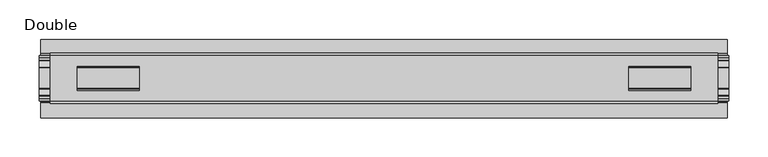
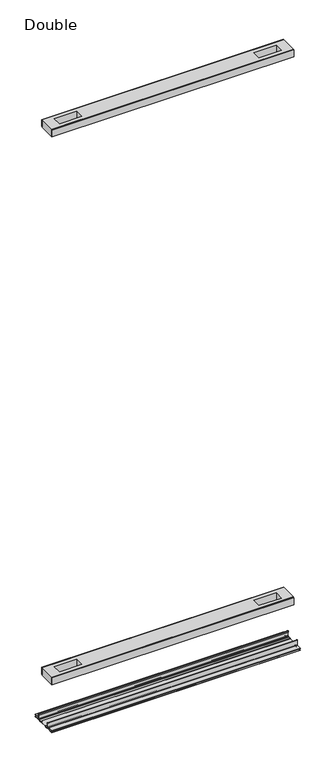
"""IFC4 building model written with IfcOpenShell, lengths in millimetres: proxy geometry, Double."""

from ifc_helpers import new_model, si_unit, point, frame, frame_2d, origin, place, context, project, spatial, polyline, circle_curve, trimmed, segment, composite_curve, outline, extrude, source, transform, mapped, element, save


def double_7628b9d4(model_context):
    return source(origin(), model_context, "Body", "SweptSolid", [
        extrude(outline(polyline([(425.4460989, -29.0068005), (425.4460989, -32.1817997), (-425.4460989, -32.1817997), (-425.4460989, -29.0068005), (425.4460989, -29.0068005)])), frame((0.0, 0.0, 2186.2851593), z_axis=(0.0, 0.0, 1.0), x_axis=(1.0, 0.0, 0.0)), (0.0, 0.0, 1.0), 25.3999939),
        extrude(outline(polyline([(425.4460989, 32.1817997), (425.4460989, 29.0068005), (-425.4460989, 29.0068005), (-425.4460989, 32.1817997), (425.4460989, 32.1817997)])), frame((0.0, 0.0, 2186.2851593), z_axis=(0.0, 0.0, 1.0), x_axis=(1.0, 0.0, 0.0)), (0.0, 0.0, 1.0), 25.3999939),
        extrude(outline(polyline([(425.4460989, 29.0068005), (425.4460989, -29.0068005), (-425.4460989, -29.0068005), (-425.4460989, 29.0068005), (425.4460989, 29.0068005)]), holes=[polyline([(391.0290863, 15.1130038), (311.9842744, 15.1130038), (311.9842744, -15.875003), (391.0290863, -15.875003), (391.0290863, 15.1130038)]), polyline([(-391.0290863, 15.1130038), (-391.0290863, -15.875003), (-311.9842744, -15.875003), (-311.9842744, 15.1130038), (-391.0290863, 15.1130038)])]), frame((0.0, 0.0, 2184.9851569), z_axis=(0.0, 0.0, 1.0), x_axis=(1.0, 0.0, 0.0)), (0.0, 0.0, 1.0), 27.9999988),
        extrude(outline(polyline([(425.4460989, -29.0068005), (425.4460989, -32.1817997), (-425.4460989, -32.1817997), (-425.4460989, -29.0068005), (425.4460989, -29.0068005)])), frame((0.0, 0.0, 149.8401622), z_axis=(0.0, 0.0, 1.0), x_axis=(1.0, 0.0, 0.0)), (0.0, 0.0, 1.0), 25.3999939),
        extrude(outline(polyline([(425.4460989, 32.1817997), (425.4460989, 29.0068005), (-425.4460989, 29.0068005), (-425.4460989, 32.1817997), (425.4460989, 32.1817997)])), frame((0.0, 0.0, 149.8401622), z_axis=(0.0, 0.0, 1.0), x_axis=(1.0, 0.0, 0.0)), (0.0, 0.0, 1.0), 25.3999939),
        extrude(outline(polyline([(425.4460989, 29.0068005), (425.4460989, -29.0068005), (-425.4460989, -29.0068005), (-425.4460989, 29.0068005), (425.4460989, 29.0068005)]), holes=[polyline([(391.0290863, 15.1130038), (311.9842744, 15.1130038), (311.9842744, -15.875003), (391.0290863, -15.875003), (391.0290863, 15.1130038)]), polyline([(-391.0290863, 15.1130038), (-391.0290863, -15.875003), (-311.9842744, -15.875003), (-311.9842744, 15.1130038), (-391.0290863, 15.1130038)])]), frame((0.0, 0.0, 148.4185847), z_axis=(0.0, 0.0, 1.0), x_axis=(1.0, 0.0, 0.0)), (0.0, 0.0, 1.0), 27.9999988),
        extrude(outline(composite_curve([segment(polyline([(-28.8162961, -7.7516037), (-28.8162961, 9.8607558)]), True, "CONTINUOUS"), segment(trimmed(circle_curve(frame_2d((-27.5970982, 9.8607558)), 1.2191979), [point((-28.8162961, 9.8607558))], [point((-26.3779003, 9.8607558))], False, "CARTESIAN"), True, "CONTINUOUS"), segment(polyline([(-26.3779003, 9.8607558), (-26.3779003, 5.9999563), (-27.6580769, 5.9999563), (-27.6580769, -7.7516037)]), True, "CONTINUOUS"), segment(trimmed(circle_curve(frame_2d((-26.6420561, -7.7516037)), 1.0160208), [point((-27.6580769, -7.7516037))], [point((-26.6485732, -8.7676036))], True, "CARTESIAN"), True, "CONTINUOUS"), segment(polyline([(-26.6485732, -8.7676036), (-22.7056226, -8.7676036), (-21.7922609, -8.968753)]), True, "CONTINUOUS"), segment(trimmed(circle_curve(frame_2d((-17.7673021, -6.1259382)), 4.9276657), [point((-21.7922609, -8.968753))], [point((-13.7423434, -8.968753))], True, "CARTESIAN"), True, "CONTINUOUS"), segment(polyline([(-13.7423434, -8.968753), (-12.8289726, -8.7676036), (13.2099722, -8.7676036), (14.123343, -8.968753)]), True, "CONTINUOUS"), segment(trimmed(circle_curve(frame_2d((18.1483018, -6.1259382)), 4.9276657), [point((14.123343, -8.968753))], [point((22.1732605, -8.968753))], True, "CARTESIAN"), True, "CONTINUOUS"), segment(polyline([(22.1732605, -8.968753), (23.0866222, -8.7676036), (27.0295728, -8.7676036)]), True, "CONTINUOUS"), segment(trimmed(circle_curve(frame_2d((27.0230557, -7.7516037)), 1.0160208), [point((27.0295728, -8.7676036))], [point((28.0390765, -7.7516037))], True, "CARTESIAN"), True, "CONTINUOUS"), segment(polyline([(28.0390765, -7.7516037), (28.0390765, 5.9999563), (26.7588999, 5.9999563), (26.7588999, 9.8607558)]), True, "CONTINUOUS"), segment(trimmed(circle_curve(frame_2d((27.9780978, 9.8607558)), 1.2191979), [point((26.7588999, 9.8607558))], [point((29.1972958, 9.8607558))], False, "CARTESIAN"), True, "CONTINUOUS"), segment(polyline([(29.1972958, 9.8607558), (29.1972958, -7.7516037)]), True, "CONTINUOUS"), segment(trimmed(circle_curve(frame_2d((27.0230557, -7.7516037)), 2.17424), [point((29.1972958, -7.7516037))], [point((27.0230557, -9.9258438))], False, "CARTESIAN"), True, "CONTINUOUS"), segment(polyline([(27.0230557, -9.9258438), (22.732069, -9.9258438)]), True, "CONTINUOUS"), segment(trimmed(circle_curve(frame_2d((18.1516545, -6.4800016)), 5.7318431), [point((22.732069, -9.9258438))], [point((13.57124, -9.9258438))], False, "CARTESIAN"), True, "CONTINUOUS"), segment(polyline([(13.57124, -9.9258438), (-13.1902404, -9.9258438)]), True, "CONTINUOUS"), segment(trimmed(circle_curve(frame_2d((-17.7706549, -6.4800016)), 5.7318431), [point((-13.1902404, -9.9258438))], [point((-22.3510694, -9.9258438))], False, "CARTESIAN"), True, "CONTINUOUS"), segment(polyline([(-22.3510694, -9.9258438), (-26.6420561, -9.9258438)]), True, "CONTINUOUS"), segment(trimmed(circle_curve(frame_2d((-26.6420561, -7.7516037)), 2.17424), [point((-26.6420561, -9.9258438))], [point((-28.8162961, -7.7516037))], False, "CARTESIAN"), True, "CONTINUOUS")], self_intersect=False)), frame((-439.5049898, 0.0, 0.0), z_axis=(1.0, 0.0, 0.0), x_axis=(0.0, 1.0, 0.0)), (0.0, 0.0, 1.0), 879.0099795),
        extrude(outline(composite_curve([segment(polyline([(-50.2668422, -13.9898438), (-50.2240211, -12.3388438), (-39.7827507, -12.3388438), (-39.7827507, -7.766844), (-50.2240211, -7.766844), (-50.2668422, -6.1158439), (-31.1784975, -6.1158439)]), True, "CONTINUOUS"), segment(trimmed(circle_curve(frame_2d((-31.1784975, -7.6398436)), 1.5239997), [point((-31.1784975, -6.1158439))], [point((-29.6544978, -7.6398436))], False, "CARTESIAN"), True, "CONTINUOUS"), segment(polyline([(-29.6544978, -7.6398436), (-29.6544978, -9.9258438), (-23.1058344, -9.9258438)]), True, "CONTINUOUS"), segment(trimmed(circle_curve(frame_2d((-17.7673021, -5.2268471)), 7.1119966), [point((-23.1058344, -9.9258438))], [point((-12.4287699, -9.9258438))], True, "CARTESIAN"), True, "CONTINUOUS"), segment(polyline([(-12.4287699, -9.9258438), (12.8097695, -9.9258438)]), True, "CONTINUOUS"), segment(trimmed(circle_curve(frame_2d((18.1483018, -5.2268471)), 7.1119966), [point((12.8097695, -9.9258438))], [point((23.486834, -9.9258438))], True, "CARTESIAN"), True, "CONTINUOUS"), segment(polyline([(23.486834, -9.9258438), (30.0354975, -9.9258438), (30.0354975, -7.7656583)]), True, "CONTINUOUS"), segment(trimmed(circle_curve(frame_2d((31.6864982, -7.7656583)), 1.6510007), [point((30.0354975, -7.7656583))], [point((31.6239218, -6.1158439))], False, "CARTESIAN"), True, "CONTINUOUS"), segment(polyline([(31.6239218, -6.1158439), (50.00625, -6.1158439), (50.00625, -7.766844), (40.1637503, -7.766844), (40.1637503, -12.3388438), (50.00625, -12.3388438), (50.00625, -13.9898438), (40.0367518, -13.9898438)]), True, "CONTINUOUS"), segment(trimmed(circle_curve(frame_2d((40.0367518, -12.4658438)), 1.524), [point((40.0367518, -13.9898438))], [point((38.5127519, -12.4658438))], False, "CARTESIAN"), True, "CONTINUOUS"), segment(polyline([(38.5127519, -12.4658438), (38.5127519, -7.766844), (31.686497, -7.766844), (31.686497, -10.0528438)]), True, "CONTINUOUS"), segment(trimmed(circle_curve(frame_2d((30.1624971, -10.0528438)), 1.524), [point((31.686497, -10.0528438))], [point((30.1624971, -11.5768438))], False, "CARTESIAN"), True, "CONTINUOUS"), segment(polyline([(30.1624971, -11.5768438), (23.6563549, -11.5768438)]), True, "CONTINUOUS"), segment(trimmed(circle_curve(frame_2d((18.1483018, -6.4968436)), 7.4930002), [point((23.6563549, -11.5768438))], [point((12.8904968, -11.8354331))], False, "CARTESIAN"), True, "CONTINUOUS"), segment(polyline([(12.8904968, -11.8354331), (-12.5094972, -11.8354331)]), True, "CONTINUOUS"), segment(trimmed(circle_curve(frame_2d((-17.7673021, -6.4968436)), 7.4930002), [point((-12.5094972, -11.8354331))], [point((-23.2753553, -11.5768438))], False, "CARTESIAN"), True, "CONTINUOUS"), segment(polyline([(-23.2753553, -11.5768438), (-29.7814974, -11.5768438)]), True, "CONTINUOUS"), segment(trimmed(circle_curve(frame_2d((-29.7814974, -10.0528438)), 1.524), [point((-29.7814974, -11.5768438))], [point((-31.3054974, -10.0528438))], False, "CARTESIAN"), True, "CONTINUOUS"), segment(polyline([(-31.3054974, -10.0528438), (-31.3054974, -7.766844), (-38.1317522, -7.766844), (-38.1317522, -12.4658438)]), True, "CONTINUOUS"), segment(trimmed(circle_curve(frame_2d((-39.6557522, -12.4658438)), 1.524), [point((-38.1317522, -12.4658438))], [point((-39.6557522, -13.9898438))], False, "CARTESIAN"), True, "CONTINUOUS"), segment(polyline([(-39.6557522, -13.9898438), (-50.2668422, -13.9898438)]), True, "CONTINUOUS")], self_intersect=False)), frame((-437.8539898, 0.0, 0.0), z_axis=(1.0, 0.0, 0.0), x_axis=(0.0, 1.0, 0.0)), (0.0, 0.0, 1.0), 875.7079795),
    ])


if __name__ == "__main__":
    model = new_model("IFC4")
    model_context = context("Model", 3, world=origin())
    ifc_project = project(units=[si_unit("LENGTHUNIT", "METRE", prefix="MILLI")], contexts=[model_context])
    site = spatial("IfcSite", under=ifc_project)
    building = spatial("IfcBuilding", under=site)
    placement = place(None, origin())
    double_shape = double_7628b9d4(model_context)
    element("IfcBuildingElementProxy", 1, Name="Double", ObjectType="Double", at=placement, inside=building, context=model_context, shape_type="MappedRepresentation", body=[
        mapped(double_shape, transform((0.0, 0.0, 0.0), x_axis=(1.0, 0.0, 0.0), y_axis=(0.0, 1.0, 0.0), z_axis=(0.0, 0.0, 1.0))),
    ])
    save(model, "model.ifc")
